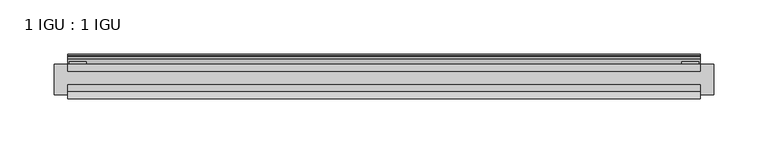
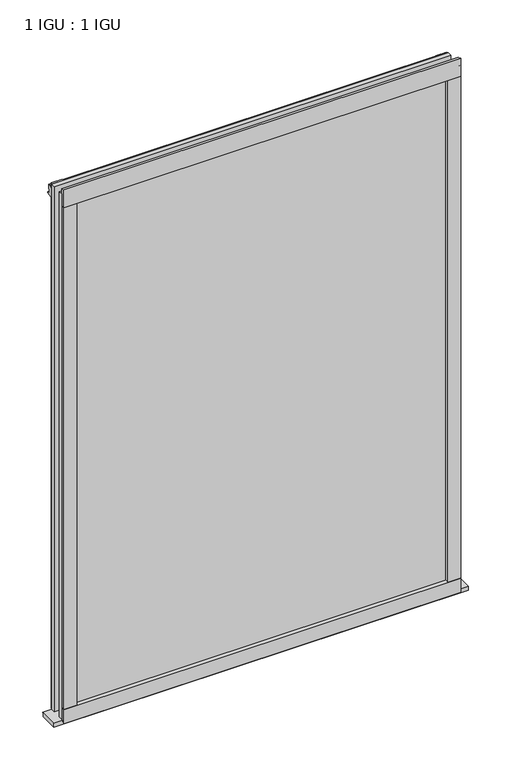
"""IFC4 building model written with IfcOpenShell, lengths in millimetres: plate geometry, 1 IGU : 1 IGU."""

from ifc_helpers import new_model, si_unit, point, frame, frame_2d, origin, place, context, project, spatial, polyline, circle_curve, trimmed, segment, composite_curve, outline, extrude, source, transform, mapped, element, save


def plate_1_igu_1_igu_7dcc72fa(model_context):
    return source(origin(), model_context, "Body", "SweptSolid", [
        extrude(outline(polyline([(292.1, 0.0021347), (292.1, -6.2992), (-292.1, -6.2992), (-292.1, 0.0021347), (292.1, 0.0021347)])), frame((0.0, 0.0, -19.05), z_axis=(0.0, 0.0, 1.0), x_axis=(1.0, 0.0, 0.0)), (0.0, 0.0, 1.0), 817.5498001),
        extrude(outline(polyline([(-292.1, -19.0986653), (292.1, -19.0986653), (292.1, -25.3978653), (-292.1, -25.3978653), (-292.1, -19.0986653)])), frame((0.0, 0.0, -19.05), z_axis=(0.0, 0.0, 1.0), x_axis=(1.0, 0.0, 0.0)), (0.0, 0.0, 1.0), 817.5498001),
        extrude(outline(composite_curve([segment(trimmed(circle_curve(frame_2d((10.9021792, -22.6833935)), 11.4916952), [point((0.0, -19.05))], [point((-0.2638007, -25.4))], True, "CARTESIAN"), True, "CONTINUOUS"), segment(polyline([(-0.2638007, -25.4), (-27.9952564, -25.4), (-27.9952564, -19.05), (0.0, -19.05)]), True, "CONTINUOUS")], self_intersect=False)), frame((-304.8, 0.0, 0.0), z_axis=(1.0, 0.0, 0.0), x_axis=(0.0, 1.0, 0.0)), (0.0, 0.0, 1.0), 609.6),
        extrude(outline(composite_curve([segment(polyline([(-31.75, 0.0), (-25.4, 0.0), (-25.4, -22.225)]), True, "CONTINUOUS"), segment(trimmed(circle_curve(frame_2d((-28.575, -28.9113452)), 7.4018806), [point((-25.4, -22.225))], [point((-31.75, -22.225))], True, "CARTESIAN"), True, "CONTINUOUS"), segment(polyline([(-31.75, -22.225), (-31.75, 0.0)]), True, "CONTINUOUS")], self_intersect=False)), frame((-292.1, 0.0, 0.0), z_axis=(1.0, 0.0, 0.0), x_axis=(0.0, 1.0, 0.0)), (0.0, 0.0, 1.0), 584.2),
        extrude(outline(composite_curve([segment(trimmed(circle_curve(frame_2d((-23.3689302, 822.6664901)), 40.3187601), [point((0.0, 789.8108131))], [point((4.9746073, 793.9916528))], True, "CARTESIAN"), True, "CONTINUOUS"), segment(trimmed(circle_curve(frame_2d((5.8674, 793.0884246)), 1.27), [point((4.9746073, 793.9916528))], [point((7.1374, 793.0884246))], False, "CARTESIAN"), True, "CONTINUOUS"), segment(polyline([(7.1374, 793.0884246), (7.1374, 788.6876169), (7.7309478, 786.4724663), (6.35, 786.2379789), (6.35, 781.0500001), (9.3980339, 781.0500001), (9.3980339, 779.6684051)]), True, "CONTINUOUS"), segment(trimmed(circle_curve(frame_2d((13.6593785, 748.6551528)), 31.3046461), [point((9.3980339, 779.6684051))], [point((0.0, 776.8225498))], True, "CARTESIAN"), True, "CONTINUOUS"), segment(polyline([(0.0, 776.8225498), (0.0, 789.8108131)]), True, "CONTINUOUS")], self_intersect=False)), frame((-292.1, 0.0, 0.0), z_axis=(1.0, 0.0, 0.0), x_axis=(0.0, 1.0, 0.0)), (0.0, 0.0, 1.0), 584.2),
        extrude(outline(composite_curve([segment(polyline([(-25.4, 806.4500001), (-25.4, 781.0500001), (-31.75, 781.0500001), (-31.75, 809.2228974)]), True, "CONTINUOUS"), segment(trimmed(circle_curve(frame_2d((-24.1401272, 817.9924116)), 11.6109665), [point((-31.75, 809.2228974))], [point((-25.4, 806.4500001))], True, "CARTESIAN"), True, "CONTINUOUS")], self_intersect=False)), frame((-292.1, 0.0, 0.0), z_axis=(1.0, 0.0, 0.0), x_axis=(0.0, 1.0, 0.0)), (0.0, 0.0, 1.0), 584.2),
        extrude(outline(composite_curve([segment(polyline([(273.05, -25.4), (292.1, -25.4)]), True, "CONTINUOUS"), segment(trimmed(circle_curve(frame_2d((301.5661507, -28.575)), 9.9844196), [point((292.1, -25.4))], [point((292.1, -31.75))], True, "CARTESIAN"), True, "CONTINUOUS"), segment(polyline([(292.1, -31.75), (273.05, -31.75), (273.05, -25.4)]), True, "CONTINUOUS")], self_intersect=False)), frame((0.0, 0.0, -19.05), z_axis=(0.0, 0.0, 1.0), x_axis=(1.0, 0.0, 0.0)), (0.0, 0.0, 1.0), 817.5498001),
        extrude(outline(polyline([(290.8935, 2.2860088), (290.8935, 0.0021347), (275.0185, 0.0021347), (275.0185, 2.2860088), (290.8935, 2.2860088)])), frame((0.0, 0.0, -19.05), z_axis=(0.0, 0.0, 1.0), x_axis=(1.0, 0.0, 0.0)), (0.0, 0.0, 1.0), 817.5498001),
        extrude(outline(composite_curve([segment(trimmed(circle_curve(frame_2d((-301.5661507, -28.575)), 9.9844196), [point((-292.1, -31.75))], [point((-292.1, -25.4))], True, "CARTESIAN"), True, "CONTINUOUS"), segment(polyline([(-292.1, -25.4), (-273.05, -25.4), (-273.05, -31.75), (-292.1, -31.75)]), True, "CONTINUOUS")], self_intersect=False)), frame((0.0, 0.0, -19.05), z_axis=(0.0, 0.0, 1.0), x_axis=(1.0, 0.0, 0.0)), (0.0, 0.0, 1.0), 817.5498001),
        extrude(outline(polyline([(-290.8935, 0.0), (-290.8935, 2.286), (-275.0185, 2.286), (-275.0185, 0.0), (-290.8935, 0.0)])), frame((0.0, 0.0, -19.05), z_axis=(0.0, 0.0, 1.0), x_axis=(1.0, 0.0, 0.0)), (0.0, 0.0, 1.0), 817.5498001),
    ])


if __name__ == "__main__":
    model = new_model("IFC4")
    model_context = context("Model", 3, world=origin())
    ifc_project = project(units=[si_unit("LENGTHUNIT", "METRE", prefix="MILLI")], contexts=[model_context])
    site = spatial("IfcSite", under=ifc_project)
    building = spatial("IfcBuilding", under=site)
    placement = place(None, origin())
    plate_1_igu_1_igu_shape = plate_1_igu_1_igu_7dcc72fa(model_context)
    element("IfcPlate", 1, ObjectType="1 IGU : 1 IGU", at=placement, inside=building, context=model_context, shape_type="MappedRepresentation", body=[
        mapped(plate_1_igu_1_igu_shape, transform((0.0, 0.0, 0.0), x_axis=(1.0, 0.0, 0.0), y_axis=(0.0, 1.0, 0.0), z_axis=(0.0, 0.0, 1.0))),
    ])
    save(model, "model.ifc")
